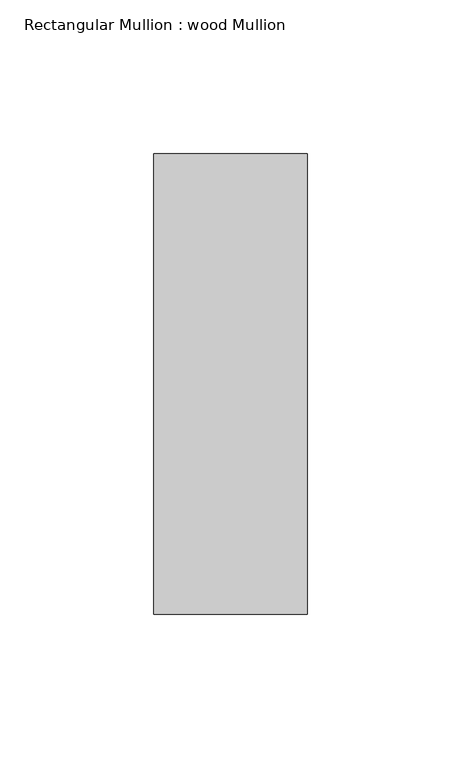
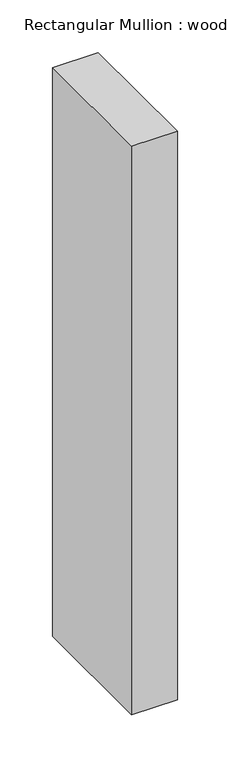
"""IFC4 building model written with IfcOpenShell, lengths in millimetres: member geometry, Rectangular Mullion : wood Mullion."""

from ifc_helpers import new_model, si_unit, frame, origin, place, context, project, spatial, polyline, outline, extrude, source, transform, mapped, element, save


def rectangular_mullion_wood_mullion_8785cfad(model_context):
    return source(origin(), model_context, "Body", "SweptSolid", [
        extrude(outline(polyline([(0.0, 75.0), (0.0, -75.0), (-50.0, -75.0), (-50.0, 75.0), (0.0, 75.0)])), frame((0.0, 0.0, -658.3333333), z_axis=(0.0, 0.0, 1.0), x_axis=(1.0, 0.0, 0.0)), (0.0, 0.0, 1.0), 658.3333333),
    ])


if __name__ == "__main__":
    model = new_model("IFC4")
    model_context = context("Model", 3, world=origin())
    ifc_project = project(units=[si_unit("LENGTHUNIT", "METRE", prefix="MILLI")], contexts=[model_context])
    site = spatial("IfcSite", under=ifc_project)
    building = spatial("IfcBuilding", under=site)
    placement = place(None, origin())
    rectangular_mullion_wood_mullion_shape = rectangular_mullion_wood_mullion_8785cfad(model_context)
    element("IfcMember", 1, ObjectType="Rectangular Mullion : wood Mullion", at=placement, inside=building, context=model_context, shape_type="MappedRepresentation", body=[
        mapped(rectangular_mullion_wood_mullion_shape, transform((0.0, 0.0, 0.0), x_axis=(1.0, 0.0, 0.0), y_axis=(0.0, 1.0, 0.0), z_axis=(0.0, 0.0, 1.0))),
    ])
    save(model, "model.ifc")
